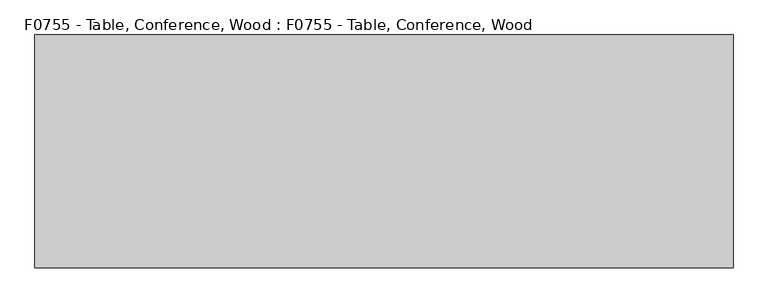
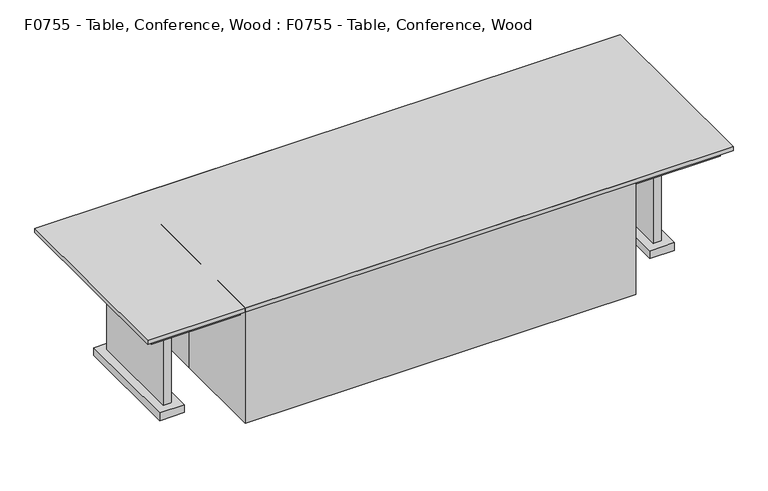
"""IFC4 building model written with IfcOpenShell, lengths in millimetres: proxy geometry, F0755 - Table, Conference, Wood : F0755 - Table, Conference, Wood."""

from ifc_helpers import new_model, si_unit, frame, origin, origin_with_axes, place, context, project, spatial, polyline, outline, extrude, source, transform, mapped, element, save


def f0755_table_conference_wood_f0755_table_conference_wood_de1b3017(model_context):
    return source(origin(), model_context, "Body", "SweptSolid", [
        extrude(outline(polyline([(1454.3192772, 355.6), (1606.7192772, 355.6), (1606.7192772, -355.6), (1454.3192772, -355.6), (1454.3192772, 355.6)])), origin_with_axes(), (0.0, 0.0, 1.0), 50.8),
        extrude(outline(polyline([(1505.1192772, 304.8), (1555.9192772, 304.8), (1555.9192772, -304.8), (1505.1192772, -304.8), (1505.1192772, 304.8)])), frame((0.0, 0.0, 50.8), z_axis=(0.0, 0.0, 1.0), x_axis=(1.0, 0.0, 0.0)), (0.0, 0.0, 1.0), 635.0),
        extrude(outline(polyline([(-1454.3192772, 355.6), (-1454.3192772, -355.6), (-1606.7192772, -355.6), (-1606.7192772, 355.6), (-1454.3192772, 355.6)])), origin_with_axes(), (0.0, 0.0, 1.0), 50.8),
        extrude(outline(polyline([(-1505.1192772, 304.8), (-1505.1192772, -304.8), (-1555.9192772, -304.8), (-1555.9192772, 304.8), (-1505.1192772, 304.8)])), frame((0.0, 0.0, 50.8), z_axis=(0.0, 0.0, 1.0), x_axis=(1.0, 0.0, 0.0)), (0.0, 0.0, 1.0), 635.0),
        extrude(outline(polyline([(1778.0, 558.8), (1778.0, -558.8), (-1778.0, -558.8), (-1778.0, 558.8), (1778.0, 558.8)])), frame((0.0, 0.0, 685.8), z_axis=(0.0, 0.0, 1.0), x_axis=(1.0, 0.0, 0.0)), (0.0, 0.0, 1.0), 50.8),
        extrude(outline(polyline([(1828.8, 609.6), (1828.8, -609.6), (-1828.8, -609.6), (-1828.8, 609.6), (1828.8, 609.6)])), frame((0.0, 0.0, 736.6), z_axis=(0.0, 0.0, 1.0), x_axis=(1.0, 0.0, 0.0)), (0.0, 0.0, 1.0), 25.4),
        extrude(outline(polyline([(-1219.2, 609.6), (1219.2, 609.6), (1219.2, -609.6), (-1219.2, -609.6), (-1219.2, 0.0), (-1219.2, 609.6)])), origin_with_axes(), (0.0, 0.0, 1.0), 762.0),
    ])


if __name__ == "__main__":
    model = new_model("IFC4")
    model_context = context("Model", 3, world=origin())
    ifc_project = project(units=[si_unit("LENGTHUNIT", "METRE", prefix="MILLI")], contexts=[model_context])
    site = spatial("IfcSite", under=ifc_project)
    building = spatial("IfcBuilding", under=site)
    placement = place(None, origin())
    f0755_table_conference_wood_f0755_table_conference_wood_shape = f0755_table_conference_wood_f0755_table_conference_wood_de1b3017(model_context)
    element("IfcBuildingElementProxy", 1, Name="F0755 - Table, Conference, Wood : F0755 - Table, Conference, Wood", ObjectType="F0755 - Table, Conference, Wood : F0755 - Table, Conference, Wood", at=placement, inside=building, context=model_context, shape_type="MappedRepresentation", body=[
        mapped(f0755_table_conference_wood_f0755_table_conference_wood_shape, transform((0.0, 0.0, 0.0), x_axis=(1.0, 0.0, 0.0), y_axis=(0.0, 1.0, 0.0), z_axis=(0.0, 0.0, 1.0))),
    ])
    save(model, "model.ifc")
